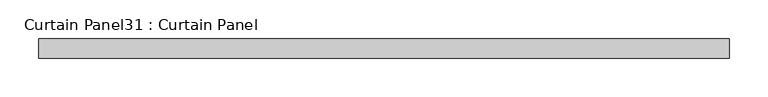
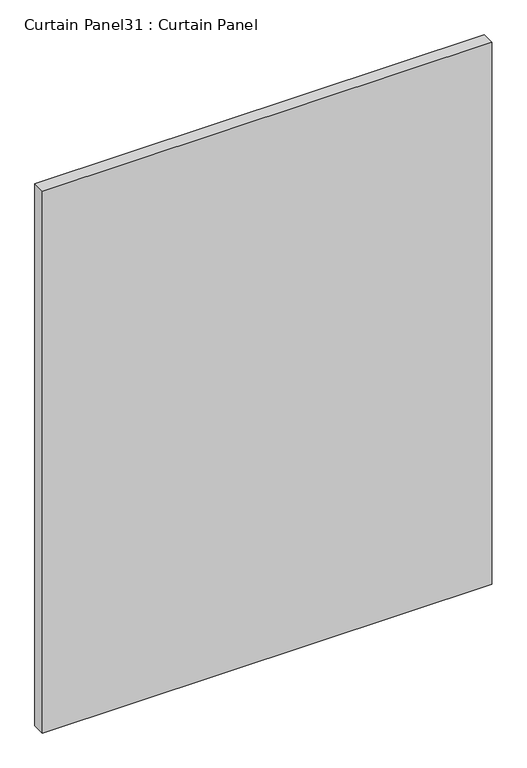
"""IFC4 building model written with IfcOpenShell, lengths in millimetres: plate geometry, Curtain Panel31 : Curtain Panel."""

from ifc_helpers import new_model, si_unit, frame, origin, place, context, project, spatial, polyline, outline, extrude, source, transform, mapped, element, save


def curtain_panel31_curtain_panel_f9d4ca10(model_context):
    return source(origin(), model_context, "Body", "SweptSolid", [
        extrude(outline(polyline([(-36231.0159538, -1283.4463534), (-37126.3659275, -1283.4463534), (-37126.3659275, -1258.0463534), (-36231.0159538, -1258.0463534), (-36231.0159538, -1283.4463534)])), frame((0.0, 0.0, 2447.925), z_axis=(0.0, 0.0, 1.0), x_axis=(1.0, 0.0, 0.0)), (0.0, 0.0, 1.0), 1141.8462759),
    ])


if __name__ == "__main__":
    model = new_model("IFC4")
    model_context = context("Model", 3, world=origin())
    ifc_project = project(units=[si_unit("LENGTHUNIT", "METRE", prefix="MILLI")], contexts=[model_context])
    site = spatial("IfcSite", under=ifc_project)
    building = spatial("IfcBuilding", under=site)
    placement = place(None, origin())
    curtain_panel31_curtain_panel_shape = curtain_panel31_curtain_panel_f9d4ca10(model_context)
    element("IfcPlate", 1, ObjectType="Curtain Panel31 : Curtain Panel", at=placement, inside=building, context=model_context, shape_type="MappedRepresentation", body=[
        mapped(curtain_panel31_curtain_panel_shape, transform((0.0, 0.0, 0.0), x_axis=(1.0, 0.0, 0.0), y_axis=(0.0, 1.0, 0.0), z_axis=(0.0, 0.0, 1.0))),
    ])
    save(model, "model.ifc")
